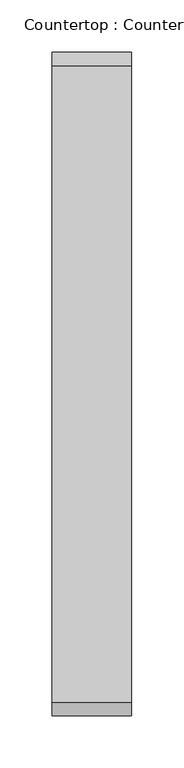
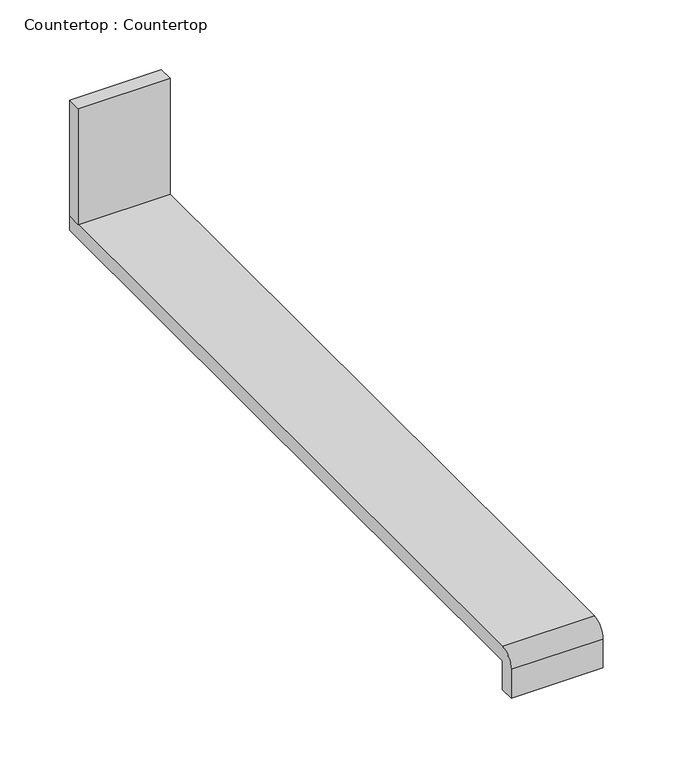
"""IFC4 building model written with IfcOpenShell, lengths in millimetres: proxy geometry, Countertop : Countertop."""

from ifc_helpers import new_model, si_unit, point, frame, frame_2d, origin, place, context, project, spatial, polyline, circle_curve, trimmed, segment, composite_curve, outline, extrude, source, transform, mapped, element, save


def countertop_countertop_bca09745(model_context):
    return source(origin(), model_context, "Body", "SweptSolid", [
        extrude(outline(polyline([(76.2, 0.0), (76.2, -12.7), (0.0, -12.7), (0.0, 0.0), (76.2, 0.0)])), frame((0.0, 0.0, 863.6), z_axis=(0.0, 0.0, 1.0), x_axis=(1.0, 0.0, 0.0)), (0.0, 0.0, 1.0), 101.6),
        extrude(outline(composite_curve([segment(polyline([(-622.3, 863.6), (0.0, 863.6), (0.0, 850.9), (-622.3, 850.9), (-622.3, 825.5), (-635.0, 825.5), (-635.0, 850.9)]), True, "CONTINUOUS"), segment(trimmed(circle_curve(frame_2d((-622.3, 850.9)), 12.7), [point((-635.0, 850.9))], [point((-622.3, 863.6))], False, "CARTESIAN"), True, "CONTINUOUS")], self_intersect=False)), frame((0.0, 0.0, 0.0), z_axis=(1.0, 0.0, 0.0), x_axis=(0.0, 1.0, 0.0)), (0.0, 0.0, 1.0), 76.2),
    ])


if __name__ == "__main__":
    model = new_model("IFC4")
    model_context = context("Model", 3, world=origin())
    ifc_project = project(units=[si_unit("LENGTHUNIT", "METRE", prefix="MILLI")], contexts=[model_context])
    site = spatial("IfcSite", under=ifc_project)
    building = spatial("IfcBuilding", under=site)
    placement = place(None, origin())
    countertop_countertop_shape = countertop_countertop_bca09745(model_context)
    element("IfcBuildingElementProxy", 1, Name="Countertop : Countertop", ObjectType="Countertop : Countertop", at=placement, inside=building, context=model_context, shape_type="MappedRepresentation", body=[
        mapped(countertop_countertop_shape, transform((0.0, 0.0, 0.0), x_axis=(1.0, 0.0, 0.0), y_axis=(0.0, 1.0, 0.0), z_axis=(0.0, 0.0, 1.0))),
    ])
    save(model, "model.ifc")
